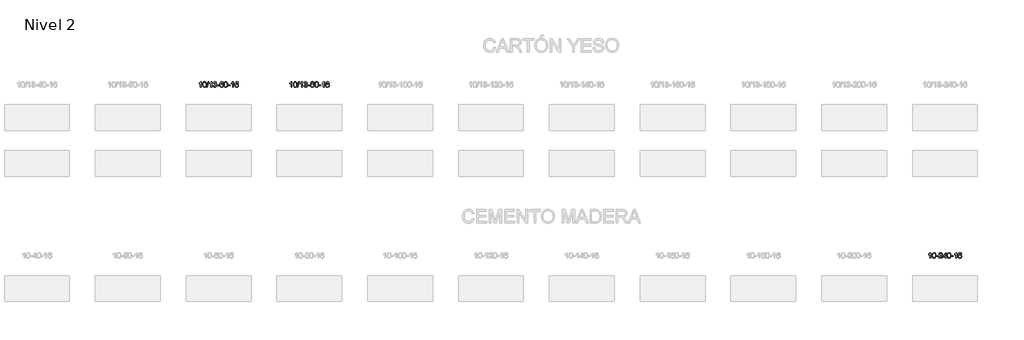
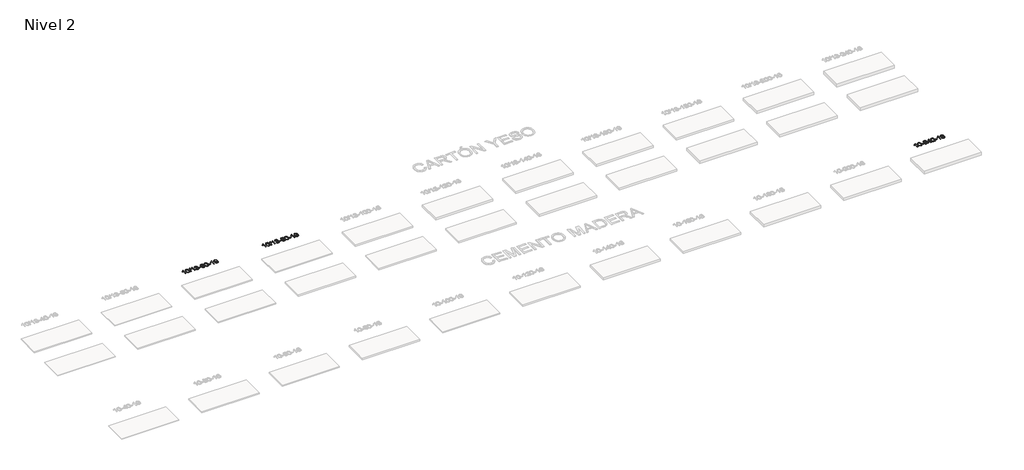
# One storey, part 22 of 51: 3 proxies.
"""IFC4 building model written with IfcOpenShell, lengths in millimetres."""

from ifc_helpers import new_model, si_unit, frame, origin, place, context, project, spatial, polyline, outline, extrude, element, save

model = new_model("IFC4")

# Units and contexts
model_context = context("Model", 3, world=origin())
ifc_project = project(units=[si_unit("LENGTHUNIT", "METRE", prefix="MILLI")], contexts=[model_context])

# Site, building, storey
site = spatial("IfcSite", under=ifc_project)
building = spatial("IfcBuilding", under=site)
storey = spatial("IfcBuildingStorey", under=building, Name="Nivel 2", Elevation=3000.0)

# Proxies
placement = place(None, origin())
element("IfcBuildingElementProxy", 1, Name="Texto de modelo 1", ObjectType="Texto de modelo 1", at=placement, inside=storey, context=model_context, shape_type="SweptSolid", body=[
    extrude(outline(polyline([(4438.4865277, -117522.2088613), (4388.2583726, -117522.2088613), (4388.2583726, -117209.067707), (4367.2890989, -117226.027067), (4340.6789679, -117242.9619015), (4287.8020625, -117268.3212337), (4287.8020625, -117220.8399309), (4327.2512751, -117199.3801478), (4361.4275124, -117173.8491374), (4388.3687372, -117146.6994461), (4406.1129121, -117120.3836207), (4438.4865277, -117120.3836207), (4438.4865277, -117522.2088613)])), frame((0.0, 0.0, 3000.0), z_axis=(0.0, 0.0, 1.0), x_axis=(1.0, 0.0, 0.0)), (0.0, 0.0, 1.0), 10.0),
    extrude(outline(polyline([(4557.778396, -117324.5336026), (4561.4694787, -117260.2155671), (4572.5427267, -117208.9205542), (4590.8877756, -117169.8637491), (4602.7458385, -117154.6303688), (4616.3942606, -117142.2603367), (4631.8790269, -117132.6892735), (4649.2461227, -117125.8527997), (4689.6273031, -117120.3836207), (4720.5784416, -117123.6209823), (4748.2922186, -117133.333067), (4771.4687843, -117149.13973), (4788.808289, -117170.6608267), (4801.904888, -117197.7124161), (4812.3527367, -117230.1105572), (4819.1953418, -117271.252027), (4821.4762101, -117324.5336026), (4817.8219157, -117388.4837561), (4806.8590322, -117439.6561416), (4788.624348, -117478.749735), (4776.7938761, -117494.0291005), (4763.1546512, -117506.4635119), (4747.6514908, -117516.0989545), (4730.2292126, -117522.9814135), (4689.6273031, -117528.4873807), (4661.962577, -117526.0961478), (4637.4371107, -117518.9224488), (4616.050904, -117506.966284), (4597.8039571, -117490.2276532), (4580.2927741, -117459.9693591), (4567.7847863, -117422.267586), (4560.2799936, -117377.1223338), (4557.778396, -117324.5336026)]), holes=[polyline([(4608.0065511, -117324.4355007), (4609.4780791, -117368.1000279), (4613.892663, -117403.4442906), (4621.2503029, -117430.4682888), (4631.5509988, -117449.1720226), (4644.0099357, -117461.8976739), (4657.8422987, -117470.9874249), (4673.0480878, -117476.4412755), (4689.6273031, -117478.2592256), (4706.2065183, -117476.4351441), (4721.4123075, -117470.9628994), (4735.2446705, -117461.8424916), (4747.7036074, -117449.0739207), (4758.0043032, -117430.3395301), (4765.3619431, -117403.3216632), (4769.7765271, -117368.0203201), (4771.2480551, -117324.4355007), (4769.825578, -117281.9267362), (4765.5581469, -117247.2048072), (4758.4457616, -117220.2697138), (4748.4884223, -117201.1214559), (4736.2379519, -117187.7734709), (4722.2461733, -117178.2391958), (4706.5130866, -117172.5186308), (4689.0386919, -117170.6117758), (4672.5453158, -117172.2917703), (4657.597044, -117177.3317536), (4644.1938767, -117185.7317258), (4632.3358137, -117197.4916869), (4621.6917613, -117218.3383333), (4614.0888667, -117246.4445178), (4609.52713, -117281.8102402), (4608.0065511, -117324.4355007)])]), frame((0.0, 0.0, 3000.0), z_axis=(0.0, 0.0, 1.0), x_axis=(1.0, 0.0, 0.0)), (0.0, 0.0, 1.0), 10.0),
    extrude(outline(polyline([(4840.3117683, -117522.2088613), (4953.3251172, -117120.3836207), (4998.648179, -117120.3836207), (4885.6348301, -117522.2088613), (4840.3117683, -117522.2088613)])), frame((0.0, 0.0, 3000.0), z_axis=(0.0, 0.0, 1.0), x_axis=(1.0, 0.0, 0.0)), (0.0, 0.0, 1.0), 10.0),
    extrude(outline(polyline([(5210.744412, -117522.2088613), (5160.5162569, -117522.2088613), (5160.5162569, -117209.067707), (5139.5469832, -117226.027067), (5112.9368522, -117242.9619015), (5060.0599467, -117268.3212337), (5060.0599467, -117220.8399309), (5099.5091594, -117199.3801478), (5133.6853967, -117173.8491374), (5160.6266215, -117146.6994461), (5178.3707964, -117120.3836207), (5210.744412, -117120.3836207), (5210.744412, -117522.2088613)])), frame((0.0, 0.0, 3000.0), z_axis=(0.0, 0.0, 1.0), x_axis=(1.0, 0.0, 0.0)), (0.0, 0.0, 1.0), 10.0),
    extrude(outline(polyline([(5330.0362803, -117415.4740318), (5380.2644353, -117409.1955124), (5391.5093617, -117440.7597876), (5407.9782123, -117462.0724179), (5430.4803277, -117474.2125237), (5459.8250482, -117478.2592256), (5494.2588029, -117472.6919448), (5508.5326243, -117465.7328437), (5520.8444084, -117455.9901022), (5537.8405566, -117431.0722284), (5543.5059393, -117400.8568539), (5537.8896075, -117372.174321), (5521.0406122, -117348.9119161), (5495.5341272, -117333.4976605), (5463.9453265, -117328.3595753), (5428.7267568, -117333.8532798), (5434.3185632, -117283.6251247), (5442.3629161, -117284.2137359), (5472.4556633, -117280.6084924), (5499.3600999, -117269.7927617), (5510.433348, -117261.6135187), (5518.3428109, -117251.4967638), (5523.0884886, -117239.4424971), (5524.6703812, -117225.4507186), (5520.084119, -117203.7579436), (5506.3253324, -117186.1609215), (5485.3315332, -117174.4990622), (5459.0402332, -117170.6117758), (5432.6998824, -117174.5358504), (5411.1665229, -117186.3080743), (5395.445699, -117205.9284474), (5386.5429547, -117233.3969697), (5336.3147997, -117227.1184503), (5342.2683566, -117203.1386756), (5351.1036559, -117182.0161177), (5362.8206974, -117163.7507766), (5377.4194812, -117148.3426524), (5394.4401549, -117136.110576), (5413.4228658, -117127.3733786), (5434.3676141, -117122.1310602), (5457.2743997, -117120.3836207), (5488.8509376, -117123.8294488), (5517.8523015, -117134.1669328), (5542.3041915, -117150.4763679), (5560.2323074, -117171.8380491), (5571.231979, -117196.4493546), (5574.8985363, -117222.5076626), (5571.41592, -117246.7878743), (5560.9680714, -117268.8117431), (5543.7021431, -117287.5737248), (5519.7652879, -117302.0682754), (5551.2069358, -117314.772467), (5574.5061288, -117336.4039283), (5588.927103, -117365.785437), (5593.7340944, -117401.7397707), (5591.3305987, -117427.2217302), (5584.1201116, -117450.6926015), (5572.1026331, -117472.1523845), (5555.2781632, -117491.6010793), (5534.7810047, -117507.7388362), (5511.7454604, -117519.2658054), (5486.1715304, -117526.1819869), (5458.0592146, -117528.4873807), (5432.6508315, -117526.519212), (5409.4987912, -117520.614706), (5388.6030939, -117510.7738627), (5369.9637395, -117496.9966819), (5354.3348861, -117480.0925043), (5342.4706917, -117460.87067), (5334.3711564, -117439.3311792), (5330.0362803, -117415.4740318)])), frame((0.0, 0.0, 3000.0), z_axis=(0.0, 0.0, 1.0), x_axis=(1.0, 0.0, 0.0)), (0.0, 0.0, 1.0), 10.0),
    extrude(outline(polyline([(5625.1266913, -117402.916993), (5625.1266913, -117352.688838), (5782.0896759, -117352.688838), (5782.0896759, -117402.916993), (5625.1266913, -117402.916993)])), frame((0.0, 0.0, 3000.0), z_axis=(0.0, 0.0, 1.0), x_axis=(1.0, 0.0, 0.0)), (0.0, 0.0, 1.0), 10.0),
    extrude(outline(polyline([(6083.4586064, -117227.1184503), (6033.2304513, -117233.3969697), (6025.1370474, -117208.5036213), (6014.1986894, -117191.5074731), (5991.4145312, -117175.8357001), (5963.8724325, -117170.6117758), (5940.5241885, -117173.6529336), (5918.5493707, -117182.7764071), (5899.6770243, -117201.99211), (5884.2627687, -117228.4428255), (5873.8517083, -117265.8564244), (5869.9889473, -117317.9607776), (5890.1366179, -117294.4531181), (5914.2819395, -117277.8861656), (5941.0760115, -117268.0637163), (5969.1699332, -117264.7895666), (5993.3029921, -117267.0275154), (6015.5721155, -117273.7413618), (6035.9773035, -117284.9311058), (6054.5185561, -117300.5967474), (6069.9266803, -117319.806319), (6080.9324834, -117341.6278526), (6087.5359652, -117366.0613485), (6089.7371258, -117393.1068065), (6085.592322, -117429.0734029), (6073.1579105, -117462.4157744), (6053.4639611, -117490.6936371), (6027.5405431, -117511.4667071), (5996.5648791, -117524.2322123), (5961.7141915, -117528.4873807), (5931.7716627, -117525.6669521), (5904.7292704, -117517.2056662), (5880.5870145, -117503.1035231), (5859.3448949, -117483.3605226), (5842.02685, -117457.1427991), (5829.6568179, -117423.6164866), (5822.2347987, -117382.7815852), (5819.7607923, -117334.6380947), (5822.5076445, -117280.6636747), (5830.7482012, -117234.5987175), (5844.4824623, -117196.4432232), (5863.7104279, -117166.1971919), (5884.550943, -117146.1537545), (5908.7146587, -117131.8370135), (5936.2015751, -117123.2469689), (5967.0116922, -117120.3836207), (5990.1453383, -117122.1555857), (6011.0839552, -117127.4714805), (6029.8275429, -117136.3313052), (6046.3761013, -117148.7350598), (6060.2820407, -117164.2658114), (6071.0977714, -117182.506627), (6078.8232933, -117203.4575066), (6083.4586064, -117227.1184503)]), holes=[polyline([(5869.9889473, -117392.3219916), (5872.8952151, -117414.5788523), (5881.6140184, -117435.8301689), (5895.1520758, -117454.1016413), (5912.516106, -117467.4189695), (5933.473117, -117475.5491616), (5957.7901168, -117478.2592256), (5990.9362846, -117472.6428939), (6004.8514211, -117465.6224791), (6016.9945926, -117455.7938985), (6026.844633, -117443.5556908), (6033.8803762, -117429.3063948), (6039.5089707, -117394.7745382), (6033.9539526, -117361.6283704), (6027.0101799, -117348.0075396), (6017.2888982, -117336.3548774), (6005.1089385, -117327.0198717), (5990.7891318, -117320.3520106), (5955.7299777, -117315.0177217), (5922.6328608, -117320.3520106), (5894.9558721, -117336.3548774), (5884.0328425, -117347.8542554), (5876.2306785, -117361.0152338), (5871.5493801, -117375.8378125), (5869.9889473, -117392.3219916)])]), frame((0.0, 0.0, 3000.0), z_axis=(0.0, 0.0, 1.0), x_axis=(1.0, 0.0, 0.0)), (0.0, 0.0, 1.0), 10.0),
    extrude(outline(polyline([(6133.6867615, -117324.5336026), (6137.3778442, -117260.2155671), (6148.4510922, -117208.9205542), (6166.796141, -117169.8637491), (6178.654204, -117154.6303688), (6192.302626, -117142.2603367), (6207.7873923, -117132.6892735), (6225.1544882, -117125.8527997), (6265.5356685, -117120.3836207), (6296.4868071, -117123.6209823), (6324.200584, -117133.333067), (6347.3771497, -117149.13973), (6364.7166544, -117170.6608267), (6377.8132535, -117197.7124161), (6388.2611021, -117230.1105572), (6395.1037072, -117271.252027), (6397.3845756, -117324.5336026), (6393.7302811, -117388.4837561), (6382.7673977, -117439.6561416), (6364.5327134, -117478.749735), (6352.7022416, -117494.0291005), (6339.0630166, -117506.4635119), (6323.5598562, -117516.0989545), (6306.1375781, -117522.9814135), (6265.5356685, -117528.4873807), (6237.8709425, -117526.0961478), (6213.3454762, -117518.9224488), (6191.9592695, -117506.966284), (6173.7123225, -117490.2276532), (6156.2011396, -117459.9693591), (6143.6931517, -117422.267586), (6136.188359, -117377.1223338), (6133.6867615, -117324.5336026)]), holes=[polyline([(6183.9149165, -117324.4355007), (6185.3864445, -117368.1000279), (6189.8010285, -117403.4442906), (6197.1586684, -117430.4682888), (6207.4593642, -117449.1720226), (6219.9183011, -117461.8976739), (6233.7506642, -117470.9874249), (6248.9564533, -117476.4412755), (6265.5356685, -117478.2592256), (6282.1148838, -117476.4351441), (6297.3206729, -117470.9628994), (6311.1530359, -117461.8424916), (6323.6119728, -117449.0739207), (6333.9126687, -117430.3395301), (6341.2703086, -117403.3216632), (6345.6848926, -117368.0203201), (6347.1564205, -117324.4355007), (6345.7339435, -117281.9267362), (6341.4665123, -117247.2048072), (6334.3541271, -117220.2697138), (6324.3967878, -117201.1214559), (6312.1463173, -117187.7734709), (6298.1545388, -117178.2391958), (6282.4214521, -117172.5186308), (6264.9470573, -117170.6117758), (6248.4536812, -117172.2917703), (6233.5054095, -117177.3317536), (6220.1022421, -117185.7317258), (6208.2441792, -117197.4916869), (6197.6001268, -117218.3383333), (6189.9972322, -117246.4445178), (6185.4354955, -117281.8102402), (6183.9149165, -117324.4355007)])]), frame((0.0, 0.0, 3000.0), z_axis=(0.0, 0.0, 1.0), x_axis=(1.0, 0.0, 0.0)), (0.0, 0.0, 1.0), 10.0),
    extrude(outline(polyline([(6428.7771725, -117402.916993), (6428.7771725, -117352.688838), (6585.7401571, -117352.688838), (6585.7401571, -117402.916993), (6428.7771725, -117402.916993)])), frame((0.0, 0.0, 3000.0), z_axis=(0.0, 0.0, 1.0), x_axis=(1.0, 0.0, 0.0)), (0.0, 0.0, 1.0), 10.0),
    extrude(outline(polyline([(6818.0453744, -117522.2088613), (6767.8172193, -117522.2088613), (6767.8172193, -117209.067707), (6746.8479456, -117226.027067), (6720.2378146, -117242.9619015), (6667.3609091, -117268.3212337), (6667.3609091, -117220.8399309), (6706.8101218, -117199.3801478), (6740.9863591, -117173.8491374), (6767.9275839, -117146.6994461), (6785.6717588, -117120.3836207), (6818.0453744, -117120.3836207), (6818.0453744, -117522.2088613)])), frame((0.0, 0.0, 3000.0), z_axis=(0.0, 0.0, 1.0), x_axis=(1.0, 0.0, 0.0)), (0.0, 0.0, 1.0), 10.0),
    extrude(outline(polyline([(7194.7565374, -117227.1184503), (7144.5283823, -117233.3969697), (7136.4349785, -117208.5036213), (7125.4966205, -117191.5074731), (7102.7124622, -117175.8357001), (7075.1703635, -117170.6117758), (7051.8221196, -117173.6529336), (7029.8473017, -117182.7764071), (7010.9749554, -117201.99211), (6995.5606998, -117228.4428255), (6985.1496393, -117265.8564244), (6981.2868784, -117317.9607776), (7001.434549, -117294.4531181), (7025.5798706, -117277.8861656), (7052.3739426, -117268.0637163), (7080.4678643, -117264.7895666), (7104.6009231, -117267.0275154), (7126.8700466, -117273.7413618), (7147.2752346, -117284.9311058), (7165.8164871, -117300.5967474), (7181.2246114, -117319.806319), (7192.2304144, -117341.6278526), (7198.8338962, -117366.0613485), (7201.0350568, -117393.1068065), (7196.890253, -117429.0734029), (7184.4558416, -117462.4157744), (7164.7618921, -117490.6936371), (7138.8384742, -117511.4667071), (7107.8628102, -117524.2322123), (7073.0121225, -117528.4873807), (7043.0695938, -117525.6669521), (7016.0272014, -117517.2056662), (6991.8849455, -117503.1035231), (6970.642826, -117483.3605226), (6953.324781, -117457.1427991), (6940.954749, -117423.6164866), (6933.5327297, -117382.7815852), (6931.0587233, -117334.6380947), (6933.8055755, -117280.6636747), (6942.0461322, -117234.5987175), (6955.7803934, -117196.4432232), (6975.008359, -117166.1971919), (6995.848874, -117146.1537545), (7020.0125897, -117131.8370135), (7047.4995061, -117123.2469689), (7078.3096232, -117120.3836207), (7101.4432693, -117122.1555857), (7122.3818862, -117127.4714805), (7141.1254739, -117136.3313052), (7157.6740323, -117148.7350598), (7171.5799717, -117164.2658114), (7182.3957024, -117182.506627), (7190.1212243, -117203.4575066), (7194.7565374, -117227.1184503)]), holes=[polyline([(6981.2868784, -117392.3219916), (6984.1931461, -117414.5788523), (6992.9119494, -117435.8301689), (7006.4500068, -117454.1016413), (7023.814037, -117467.4189695), (7044.771048, -117475.5491616), (7069.0880479, -117478.2592256), (7102.2342156, -117472.6428939), (7116.1493521, -117465.6224791), (7128.2925236, -117455.7938985), (7138.142564, -117443.5556908), (7145.1783072, -117429.3063948), (7150.8069017, -117394.7745382), (7145.2518836, -117361.6283704), (7138.3081109, -117348.0075396), (7128.5868292, -117336.3548774), (7116.4068695, -117327.0198717), (7102.0870628, -117320.3520106), (7067.0279087, -117315.0177217), (7033.9307919, -117320.3520106), (7006.2538031, -117336.3548774), (6995.3307735, -117347.8542554), (6987.5286095, -117361.0152338), (6982.8473112, -117375.8378125), (6981.2868784, -117392.3219916)])]), frame((0.0, 0.0, 3000.0), z_axis=(0.0, 0.0, 1.0), x_axis=(1.0, 0.0, 0.0)), (0.0, 0.0, 1.0), 10.0),
])
element("IfcBuildingElementProxy", 2, Name="Texto de modelo 1", ObjectType="Texto de modelo 1", at=placement, inside=storey, context=model_context, shape_type="SweptSolid", body=[
    extrude(outline(polyline([(11153.4270625, -117522.2088613), (11103.1989074, -117522.2088613), (11103.1989074, -117209.067707), (11082.2296337, -117226.027067), (11055.6195027, -117242.9619015), (11002.7425973, -117268.3212337), (11002.7425973, -117220.8399309), (11042.1918099, -117199.3801478), (11076.3680473, -117173.8491374), (11103.309272, -117146.6994461), (11121.0534469, -117120.3836207), (11153.4270625, -117120.3836207), (11153.4270625, -117522.2088613)])), frame((0.0, 0.0, 3000.0), z_axis=(0.0, 0.0, 1.0), x_axis=(1.0, 0.0, 0.0)), (0.0, 0.0, 1.0), 10.0),
    extrude(outline(polyline([(11272.7189308, -117324.5336026), (11276.4100135, -117260.2155671), (11287.4832616, -117208.9205542), (11305.8283104, -117169.8637491), (11317.6863734, -117154.6303688), (11331.3347954, -117142.2603367), (11346.8195617, -117132.6892735), (11364.1866576, -117125.8527997), (11404.5678379, -117120.3836207), (11435.5189764, -117123.6209823), (11463.2327534, -117133.333067), (11486.4093191, -117149.13973), (11503.7488238, -117170.6608267), (11516.8454228, -117197.7124161), (11527.2932715, -117230.1105572), (11534.1358766, -117271.252027), (11536.416745, -117324.5336026), (11532.7624505, -117388.4837561), (11521.799567, -117439.6561416), (11503.5648828, -117478.749735), (11491.734411, -117494.0291005), (11478.095186, -117506.4635119), (11462.5920256, -117516.0989545), (11445.1697474, -117522.9814135), (11404.5678379, -117528.4873807), (11376.9031119, -117526.0961478), (11352.3776455, -117518.9224488), (11330.9914389, -117506.966284), (11312.7444919, -117490.2276532), (11295.2333089, -117459.9693591), (11282.7253211, -117422.267586), (11275.2205284, -117377.1223338), (11272.7189308, -117324.5336026)]), holes=[polyline([(11322.9470859, -117324.4355007), (11324.4186139, -117368.1000279), (11328.8331978, -117403.4442906), (11336.1908377, -117430.4682888), (11346.4915336, -117449.1720226), (11358.9504705, -117461.8976739), (11372.7828335, -117470.9874249), (11387.9886226, -117476.4412755), (11404.5678379, -117478.2592256), (11421.1470531, -117476.4351441), (11436.3528423, -117470.9628994), (11450.1852053, -117461.8424916), (11462.6441422, -117449.0739207), (11472.9448381, -117430.3395301), (11480.302478, -117403.3216632), (11484.7170619, -117368.0203201), (11486.1885899, -117324.4355007), (11484.7661128, -117281.9267362), (11480.4986817, -117247.2048072), (11473.3862965, -117220.2697138), (11463.4289571, -117201.1214559), (11451.1784867, -117187.7734709), (11437.1867081, -117178.2391958), (11421.4536215, -117172.5186308), (11403.9792267, -117170.6117758), (11387.4858506, -117172.2917703), (11372.5375788, -117177.3317536), (11359.1344115, -117185.7317258), (11347.2763485, -117197.4916869), (11336.6322961, -117218.3383333), (11329.0294015, -117246.4445178), (11324.4676648, -117281.8102402), (11322.9470859, -117324.4355007)])]), frame((0.0, 0.0, 3000.0), z_axis=(0.0, 0.0, 1.0), x_axis=(1.0, 0.0, 0.0)), (0.0, 0.0, 1.0), 10.0),
    extrude(outline(polyline([(11555.2523031, -117522.2088613), (11668.265652, -117120.3836207), (11713.5887138, -117120.3836207), (11600.5753649, -117522.2088613), (11555.2523031, -117522.2088613)])), frame((0.0, 0.0, 3000.0), z_axis=(0.0, 0.0, 1.0), x_axis=(1.0, 0.0, 0.0)), (0.0, 0.0, 1.0), 10.0),
    extrude(outline(polyline([(11925.6849468, -117522.2088613), (11875.4567917, -117522.2088613), (11875.4567917, -117209.067707), (11854.487518, -117226.027067), (11827.877387, -117242.9619015), (11775.0004816, -117268.3212337), (11775.0004816, -117220.8399309), (11814.4496942, -117199.3801478), (11848.6259315, -117173.8491374), (11875.5671563, -117146.6994461), (11893.3113312, -117120.3836207), (11925.6849468, -117120.3836207), (11925.6849468, -117522.2088613)])), frame((0.0, 0.0, 3000.0), z_axis=(0.0, 0.0, 1.0), x_axis=(1.0, 0.0, 0.0)), (0.0, 0.0, 1.0), 10.0),
    extrude(outline(polyline([(12044.9768151, -117415.4740318), (12095.2049702, -117409.1955124), (12106.4498965, -117440.7597876), (12122.9187471, -117462.0724179), (12145.4208625, -117474.2125237), (12174.765583, -117478.2592256), (12209.1993377, -117472.6919448), (12223.4731592, -117465.7328437), (12235.7849433, -117455.9901022), (12252.7810914, -117431.0722284), (12258.4464742, -117400.8568539), (12252.8301424, -117372.174321), (12235.981147, -117348.9119161), (12210.474662, -117333.4976605), (12178.8858613, -117328.3595753), (12143.6672917, -117333.8532798), (12149.259098, -117283.6251247), (12157.303451, -117284.2137359), (12187.3961982, -117280.6084924), (12214.3006347, -117269.7927617), (12225.3738828, -117261.6135187), (12233.2833457, -117251.4967638), (12238.0290234, -117239.4424971), (12239.610916, -117225.4507186), (12235.0246538, -117203.7579436), (12221.2658672, -117186.1609215), (12200.272068, -117174.4990622), (12173.9807681, -117170.6117758), (12147.6404172, -117174.5358504), (12126.1070578, -117186.3080743), (12110.3862338, -117205.9284474), (12101.4834896, -117233.3969697), (12051.2553345, -117227.1184503), (12057.2088914, -117203.1386756), (12066.0441907, -117182.0161177), (12077.7612322, -117163.7507766), (12092.3600161, -117148.3426524), (12109.3806897, -117136.110576), (12128.3634007, -117127.3733786), (12149.3081489, -117122.1310602), (12172.2149345, -117120.3836207), (12203.7914724, -117123.8294488), (12232.7928364, -117134.1669328), (12257.2447263, -117150.4763679), (12275.1728422, -117171.8380491), (12286.1725139, -117196.4493546), (12289.8390711, -117222.5076626), (12286.3564549, -117246.7878743), (12275.9086062, -117268.8117431), (12258.6426779, -117287.5737248), (12234.7058227, -117302.0682754), (12266.1474706, -117314.772467), (12289.4466636, -117336.4039283), (12303.8676378, -117365.785437), (12308.6746292, -117401.7397707), (12306.2711335, -117427.2217302), (12299.0606464, -117450.6926015), (12287.0431679, -117472.1523845), (12270.218698, -117491.6010793), (12249.7215395, -117507.7388362), (12226.6859952, -117519.2658054), (12201.1120652, -117526.1819869), (12172.9997494, -117528.4873807), (12147.5913663, -117526.519212), (12124.4393261, -117520.614706), (12103.5436287, -117510.7738627), (12084.9042743, -117496.9966819), (12069.2754209, -117480.0925043), (12057.4112265, -117460.87067), (12049.3116913, -117439.3311792), (12044.9768151, -117415.4740318)])), frame((0.0, 0.0, 3000.0), z_axis=(0.0, 0.0, 1.0), x_axis=(1.0, 0.0, 0.0)), (0.0, 0.0, 1.0), 10.0),
    extrude(outline(polyline([(12340.0672262, -117402.916993), (12340.0672262, -117352.688838), (12497.0302108, -117352.688838), (12497.0302108, -117402.916993), (12340.0672262, -117402.916993)])), frame((0.0, 0.0, 3000.0), z_axis=(0.0, 0.0, 1.0), x_axis=(1.0, 0.0, 0.0)), (0.0, 0.0, 1.0), 10.0),
    extrude(outline(polyline([(12614.163838, -117300.891053), (12587.2716642, -117287.6473012), (12568.3993178, -117269.6946598), (12557.2524934, -117247.4010109), (12553.5368852, -117221.1342365), (12555.5602362, -117200.6493407), (12561.6302891, -117181.8689649), (12571.747044, -117164.7931089), (12585.9105008, -117149.4217729), (12603.4400779, -117136.7175813), (12623.6551935, -117127.6431588), (12646.5558477, -117122.1985052), (12672.1420405, -117120.3836207), (12697.8508606, -117122.2414248), (12720.923193, -117127.814837), (12741.3590379, -117137.1038574), (12759.1583951, -117150.1084859), (12773.5793693, -117165.7802589), (12783.8800651, -117183.0707127), (12790.0604827, -117201.9798473), (12792.1206218, -117222.5076626), (12788.4540646, -117247.9283085), (12777.454393, -117269.8418126), (12758.9989795, -117287.6840894), (12732.965197, -117300.891053), (12763.8795473, -117316.8203434), (12786.3816627, -117340.278952), (12800.1036611, -117370.1387073), (12804.6776606, -117405.2714378), (12802.409055, -117430.3242017), (12795.6032381, -117453.2923009), (12784.2602099, -117474.1757355), (12768.3799704, -117492.9745055), (12748.7963855, -117508.5113884), (12726.3433211, -117519.6091619), (12701.0207771, -117526.267826), (12672.8287535, -117528.4873807), (12644.63673, -117526.258629), (12619.314186, -117519.5723737), (12596.8611215, -117508.4286149), (12577.2775366, -117492.8273527), (12561.3972972, -117473.8967583), (12550.054269, -117452.7650034), (12543.2484521, -117429.4320878), (12540.9798465, -117403.8980117), (12545.7377869, -117367.4041178), (12560.0116083, -117337.384947), (12583.0655467, -117314.8705689), (12614.163838, -117300.891053)]), holes=[polyline([(12591.2080015, -117402.1321781), (12593.3049289, -117421.347881), (12599.595711, -117439.9504472), (12611.2085193, -117456.1740432), (12629.2715253, -117468.2528354), (12650.9029866, -117475.7576281), (12673.221161, -117478.2592256), (12707.4096611, -117472.9985131), (12721.3033378, -117466.4226225), (12733.0632989, -117457.2163755), (12749.1029539, -117433.3163086), (12754.4495055, -117403.701808), (12748.9312756, -117373.5845353), (12732.3765858, -117349.1571708), (12720.2977936, -117339.7148663), (12706.1343368, -117332.970363), (12671.5534293, -117327.5747604), (12637.8431758, -117332.8967866), (12624.105849, -117339.5493194), (12612.4470554, -117348.8628652), (12596.517765, -117372.8242458), (12591.2080015, -117402.1321781)]), polyline([(12603.7650403, -117222.6057645), (12608.2164124, -117244.5315314), (12621.5705289, -117262.0427143), (12643.4349821, -117273.5206326), (12673.4173647, -117277.3466053), (12702.7007715, -117273.5451581), (12724.234131, -117262.1408162), (12737.4778828, -117245.2182444), (12741.8924668, -117224.8621074), (12737.33073, -117203.7334181), (12723.6455198, -117186.2590233), (12701.8178548, -117174.5235877), (12672.8287535, -117170.6117758), (12643.6557113, -117174.4377486), (12621.8648345, -117185.9156668), (12608.2899888, -117202.7401367), (12603.7650403, -117222.6057645)])]), frame((0.0, 0.0, 3000.0), z_axis=(0.0, 0.0, 1.0), x_axis=(1.0, 0.0, 0.0)), (0.0, 0.0, 1.0), 10.0),
    extrude(outline(polyline([(12848.6272963, -117324.5336026), (12852.318379, -117260.2155671), (12863.391627, -117208.9205542), (12881.7366759, -117169.8637491), (12893.5947388, -117154.6303688), (12907.2431609, -117142.2603367), (12922.7279272, -117132.6892735), (12940.095023, -117125.8527997), (12980.4762034, -117120.3836207), (13011.4273419, -117123.6209823), (13039.1411189, -117133.333067), (13062.3176846, -117149.13973), (13079.6571893, -117170.6608267), (13092.7537883, -117197.7124161), (13103.201637, -117230.1105572), (13110.0442421, -117271.252027), (13112.3251104, -117324.5336026), (13108.6708159, -117388.4837561), (13097.7079325, -117439.6561416), (13079.4732483, -117478.749735), (13067.6427764, -117494.0291005), (13054.0035515, -117506.4635119), (13038.5003911, -117516.0989545), (13021.0781129, -117522.9814135), (12980.4762034, -117528.4873807), (12952.8114773, -117526.0961478), (12928.286011, -117518.9224488), (12906.8998043, -117506.966284), (12888.6528574, -117490.2276532), (12871.1416744, -117459.9693591), (12858.6336866, -117422.267586), (12851.1288939, -117377.1223338), (12848.6272963, -117324.5336026)]), holes=[polyline([(12898.8554514, -117324.4355007), (12900.3269793, -117368.1000279), (12904.7415633, -117403.4442906), (12912.0992032, -117430.4682888), (12922.3998991, -117449.1720226), (12934.858836, -117461.8976739), (12948.691199, -117470.9874249), (12963.8969881, -117476.4412755), (12980.4762034, -117478.2592256), (12997.0554186, -117476.4351441), (13012.2612077, -117470.9628994), (13026.0935708, -117461.8424916), (13038.5525077, -117449.0739207), (13048.8532035, -117430.3395301), (13056.2108434, -117403.3216632), (13060.6254274, -117368.0203201), (13062.0969554, -117324.4355007), (13060.6744783, -117281.9267362), (13056.4070472, -117247.2048072), (13049.2946619, -117220.2697138), (13039.3373226, -117201.1214559), (13027.0868522, -117187.7734709), (13013.0950736, -117178.2391958), (12997.3619869, -117172.5186308), (12979.8875922, -117170.6117758), (12963.3942161, -117172.2917703), (12948.4459443, -117177.3317536), (12935.042777, -117185.7317258), (12923.184714, -117197.4916869), (12912.5406616, -117218.3383333), (12904.937767, -117246.4445178), (12900.3760303, -117281.8102402), (12898.8554514, -117324.4355007)])]), frame((0.0, 0.0, 3000.0), z_axis=(0.0, 0.0, 1.0), x_axis=(1.0, 0.0, 0.0)), (0.0, 0.0, 1.0), 10.0),
    extrude(outline(polyline([(13143.7177074, -117402.916993), (13143.7177074, -117352.688838), (13300.680692, -117352.688838), (13300.680692, -117402.916993), (13143.7177074, -117402.916993)])), frame((0.0, 0.0, 3000.0), z_axis=(0.0, 0.0, 1.0), x_axis=(1.0, 0.0, 0.0)), (0.0, 0.0, 1.0), 10.0),
    extrude(outline(polyline([(13532.9859092, -117522.2088613), (13482.7577541, -117522.2088613), (13482.7577541, -117209.067707), (13461.7884804, -117226.027067), (13435.1783494, -117242.9619015), (13382.301444, -117268.3212337), (13382.301444, -117220.8399309), (13421.7506566, -117199.3801478), (13455.9268939, -117173.8491374), (13482.8681187, -117146.6994461), (13500.6122936, -117120.3836207), (13532.9859092, -117120.3836207), (13532.9859092, -117522.2088613)])), frame((0.0, 0.0, 3000.0), z_axis=(0.0, 0.0, 1.0), x_axis=(1.0, 0.0, 0.0)), (0.0, 0.0, 1.0), 10.0),
    extrude(outline(polyline([(13909.6970722, -117227.1184503), (13859.4689172, -117233.3969697), (13851.3755133, -117208.5036213), (13840.4371553, -117191.5074731), (13817.6529971, -117175.8357001), (13790.1108983, -117170.6117758), (13766.7626544, -117173.6529336), (13744.7878365, -117182.7764071), (13725.9154902, -117201.99211), (13710.5012346, -117228.4428255), (13700.0901741, -117265.8564244), (13696.2274132, -117317.9607776), (13716.3750838, -117294.4531181), (13740.5204054, -117277.8861656), (13767.3144774, -117268.0637163), (13795.4083991, -117264.7895666), (13819.541458, -117267.0275154), (13841.8105814, -117273.7413618), (13862.2157694, -117284.9311058), (13880.757022, -117300.5967474), (13896.1651462, -117319.806319), (13907.1709492, -117341.6278526), (13913.774431, -117366.0613485), (13915.9755916, -117393.1068065), (13911.8307878, -117429.0734029), (13899.3963764, -117462.4157744), (13879.7024269, -117490.6936371), (13853.779009, -117511.4667071), (13822.803345, -117524.2322123), (13787.9526573, -117528.4873807), (13758.0101286, -117525.6669521), (13730.9677363, -117517.2056662), (13706.8254803, -117503.1035231), (13685.5833608, -117483.3605226), (13668.2653159, -117457.1427991), (13655.8952838, -117423.6164866), (13648.4732645, -117382.7815852), (13645.9992581, -117334.6380947), (13648.7461103, -117280.6636747), (13656.986667, -117234.5987175), (13670.7209282, -117196.4432232), (13689.9488938, -117166.1971919), (13710.7894088, -117146.1537545), (13734.9531245, -117131.8370135), (13762.4400409, -117123.2469689), (13793.250158, -117120.3836207), (13816.3838042, -117122.1555857), (13837.3224211, -117127.4714805), (13856.0660087, -117136.3313052), (13872.6145671, -117148.7350598), (13886.5205066, -117164.2658114), (13897.3362372, -117182.506627), (13905.0617591, -117203.4575066), (13909.6970722, -117227.1184503)]), holes=[polyline([(13696.2274132, -117392.3219916), (13699.1336809, -117414.5788523), (13707.8524842, -117435.8301689), (13721.3905416, -117454.1016413), (13738.7545718, -117467.4189695), (13759.7115828, -117475.5491616), (13784.0285827, -117478.2592256), (13817.1747505, -117472.6428939), (13831.0898869, -117465.6224791), (13843.2330585, -117455.7938985), (13853.0830989, -117443.5556908), (13860.118842, -117429.3063948), (13865.7474366, -117394.7745382), (13860.1924184, -117361.6283704), (13853.2486458, -117348.0075396), (13843.527364, -117336.3548774), (13831.3474043, -117327.0198717), (13817.0275977, -117320.3520106), (13781.9684435, -117315.0177217), (13748.8713267, -117320.3520106), (13721.1943379, -117336.3548774), (13710.2713083, -117347.8542554), (13702.4691444, -117361.0152338), (13697.787846, -117375.8378125), (13696.2274132, -117392.3219916)])]), frame((0.0, 0.0, 3000.0), z_axis=(0.0, 0.0, 1.0), x_axis=(1.0, 0.0, 0.0)), (0.0, 0.0, 1.0), 10.0),
])
element("IfcBuildingElementProxy", 3, Name="Texto de modelo 1", ObjectType="Texto de modelo 1", at=placement, inside=storey, context=model_context, shape_type="SweptSolid", body=[
    extrude(outline(polyline([(58390.3160235, -130180.5895642), (58340.0878684, -130180.5895642), (58340.0878684, -129867.4484099), (58319.1185947, -129884.4077699), (58292.5084637, -129901.3426044), (58239.6315583, -129926.7019366), (58239.6315583, -129879.2206338), (58279.0807709, -129857.7608507), (58313.2570083, -129832.2298403), (58340.198233, -129805.080149), (58357.9424079, -129778.7643236), (58390.3160235, -129778.7643236), (58390.3160235, -130180.5895642)])), frame((0.0, 0.0, 3000.0), z_axis=(0.0, 0.0, 1.0), x_axis=(1.0, 0.0, 0.0)), (0.0, 0.0, 1.0), 10.0),
    extrude(outline(polyline([(58509.6078918, -129982.9143055), (58513.2989745, -129918.59627), (58524.3722226, -129867.3012571), (58542.7172714, -129828.244452), (58554.5753344, -129813.0110717), (58568.2237564, -129800.6410396), (58583.7085227, -129791.0699764), (58601.0756185, -129784.2335026), (58641.4567989, -129778.7643236), (58672.4079374, -129782.0016852), (58700.1217144, -129791.7137699), (58723.2982801, -129807.5204329), (58740.6377848, -129829.0415296), (58753.7343838, -129856.093119), (58764.1822325, -129888.4912601), (58771.0248376, -129929.6327299), (58773.305706, -129982.9143055), (58769.6514115, -130046.864459), (58758.688528, -130098.0368445), (58740.4538438, -130137.1304379), (58728.623372, -130152.4098034), (58714.984147, -130164.8442148), (58699.4809866, -130174.4796574), (58682.0587084, -130181.3621164), (58641.4567989, -130186.8680836), (58613.7920728, -130184.4768507), (58589.2666065, -130177.3031517), (58567.8803998, -130165.3469869), (58549.6334529, -130148.6083561), (58532.1222699, -130118.350062), (58519.6142821, -130080.6482889), (58512.1094894, -130035.5030367), (58509.6078918, -129982.9143055)]), holes=[polyline([(58559.8360469, -129982.8162036), (58561.3075749, -130026.4807308), (58565.7221588, -130061.8249935), (58573.0797987, -130088.8489917), (58583.3804946, -130107.5527255), (58595.8394315, -130120.2783768), (58609.6717945, -130129.3681278), (58624.8775836, -130134.8219784), (58641.4567989, -130136.6399285), (58658.0360141, -130134.815847), (58673.2418033, -130129.3436023), (58687.0741663, -130120.2231945), (58699.5331032, -130107.4546236), (58709.8337991, -130088.720233), (58717.191439, -130061.7023661), (58721.6060229, -130026.401023), (58723.0775509, -129982.8162036), (58721.6550738, -129940.3074391), (58717.3876427, -129905.5855101), (58710.2752574, -129878.6504167), (58700.3179181, -129859.5021588), (58688.0674477, -129846.1541738), (58674.0756691, -129836.6198987), (58658.3425825, -129830.8993337), (58640.8681877, -129828.9924787), (58624.3748116, -129830.6724732), (58609.4265398, -129835.7124565), (58596.0233725, -129844.1124287), (58584.1653095, -129855.8723898), (58573.5212571, -129876.7190362), (58565.9183625, -129904.8252207), (58561.3566258, -129940.1909431), (58559.8360469, -129982.8162036)])]), frame((0.0, 0.0, 3000.0), z_axis=(0.0, 0.0, 1.0), x_axis=(1.0, 0.0, 0.0)), (0.0, 0.0, 1.0), 10.0),
    extrude(outline(polyline([(58804.6983029, -130061.2976959), (58804.6983029, -130011.0695409), (58961.6612875, -130011.0695409), (58961.6612875, -130061.2976959), (58804.6983029, -130061.2976959)])), frame((0.0, 0.0, 3000.0), z_axis=(0.0, 0.0, 1.0), x_axis=(1.0, 0.0, 0.0)), (0.0, 0.0, 1.0), 10.0),
    extrude(outline(polyline([(59263.0302179, -130130.3614092), (59263.0302179, -130180.5895642), (58999.3324038, -130180.5895642), (59000.4360498, -130162.906703), (59004.7280064, -130145.9596058), (59017.1133669, -130118.8957536), (59035.2376865, -130092.6412419), (59061.45541, -130065.1604569), (59098.1209822, -130034.4177848), (59152.3222629, -129986.2742944), (59184.8430312, -129950.7368937), (59201.1034154, -129921.8949452), (59206.5235435, -129893.8378117), (59201.4099837, -129868.686946), (59186.0693045, -129847.7789859), (59162.4880687, -129833.6891055), (59132.6528388, -129828.9924787), (59101.3215556, -129833.5787409), (59076.9800302, -129847.3375275), (59061.271469, -129869.1897181), (59055.8390782, -129898.0561919), (59005.6109232, -129891.7776726), (59009.9304709, -129865.8481233), (59017.7878172, -129843.1927237), (59029.182962, -129823.8114739), (59044.1159053, -129807.7043739), (59062.2432906, -129795.0431019), (59083.2217614, -129785.9993362), (59107.0513177, -129780.5730768), (59133.7319594, -129778.7643236), (59160.6517244, -129780.7754119), (59184.6100393, -129786.8086766), (59205.6069042, -129796.8641178), (59223.642319, -129810.9417355), (59238.1276725, -129827.9991973), (59248.4743537, -129846.994171), (59254.6823623, -129867.9266565), (59256.7516985, -129890.7966539), (59254.5198811, -129914.8193482), (59247.8244288, -129938.4251095), (59235.9418404, -129962.4355411), (59218.1486145, -129987.672246), (59189.7849127, -130017.8017814), (59146.1908963, -130056.4907045), (59088.4088976, -130104.8058732), (59065.7473667, -130130.3614092), (59263.0302179, -130130.3614092)])), frame((0.0, 0.0, 3000.0), z_axis=(0.0, 0.0, 1.0), x_axis=(1.0, 0.0, 0.0)), (0.0, 0.0, 1.0), 10.0),
    extrude(outline(polyline([(59476.499877, -130180.5895642), (59476.499877, -130086.4117735), (59294.4228149, -130086.4117735), (59294.4228149, -130036.1836184), (59489.0569158, -129785.042843), (59526.7280321, -129785.042843), (59526.7280321, -130036.1836184), (59576.9561872, -130036.1836184), (59576.9561872, -130086.4117735), (59526.7280321, -130086.4117735), (59526.7280321, -130180.5895642), (59476.499877, -130180.5895642)]), holes=[polyline([(59476.499877, -130036.1836184), (59476.499877, -129880.9864674), (59356.22699, -130036.1836184), (59476.499877, -130036.1836184)])]), frame((0.0, 0.0, 3000.0), z_axis=(0.0, 0.0, 1.0), x_axis=(1.0, 0.0, 0.0)), (0.0, 0.0, 1.0), 10.0),
    extrude(outline(polyline([(59620.9058228, -129982.9143055), (59624.5969055, -129918.59627), (59635.6701536, -129867.3012571), (59654.0152024, -129828.244452), (59665.8732654, -129813.0110717), (59679.5216874, -129800.6410396), (59695.0064537, -129791.0699764), (59712.3735496, -129784.2335026), (59752.7547299, -129778.7643236), (59783.7058684, -129782.0016852), (59811.4196454, -129791.7137699), (59834.5962111, -129807.5204329), (59851.9357158, -129829.0415296), (59865.0323148, -129856.093119), (59875.4801635, -129888.4912601), (59882.3227686, -129929.6327299), (59884.603637, -129982.9143055), (59880.9493425, -130046.864459), (59869.986459, -130098.0368445), (59851.7517748, -130137.1304379), (59839.921303, -130152.4098034), (59826.282078, -130164.8442148), (59810.7789176, -130174.4796574), (59793.3566394, -130181.3621164), (59752.7547299, -130186.8680836), (59725.0900039, -130184.4768507), (59700.5645375, -130177.3031517), (59679.1783309, -130165.3469869), (59660.9313839, -130148.6083561), (59643.4202009, -130118.350062), (59630.9122131, -130080.6482889), (59623.4074204, -130035.5030367), (59620.9058228, -129982.9143055)]), holes=[polyline([(59671.1339779, -129982.8162036), (59672.6055059, -130026.4807308), (59677.0200898, -130061.8249935), (59684.3777297, -130088.8489917), (59694.6784256, -130107.5527255), (59707.1373625, -130120.2783768), (59720.9697255, -130129.3681278), (59736.1755147, -130134.8219784), (59752.7547299, -130136.6399285), (59769.3339452, -130134.815847), (59784.5397343, -130129.3436023), (59798.3720973, -130120.2231945), (59810.8310342, -130107.4546236), (59821.1317301, -130088.720233), (59828.48937, -130061.7023661), (59832.9039539, -130026.401023), (59834.3754819, -129982.8162036), (59832.9530049, -129940.3074391), (59828.6855737, -129905.5855101), (59821.5731885, -129878.6504167), (59811.6158491, -129859.5021588), (59799.3653787, -129846.1541738), (59785.3736002, -129836.6198987), (59769.6405135, -129830.8993337), (59752.1661187, -129828.9924787), (59735.6727426, -129830.6724732), (59720.7244709, -129835.7124565), (59707.3213035, -129844.1124287), (59695.4632405, -129855.8723898), (59684.8191881, -129876.7190362), (59677.2162936, -129904.8252207), (59672.6545568, -129940.1909431), (59671.1339779, -129982.8162036)])]), frame((0.0, 0.0, 3000.0), z_axis=(0.0, 0.0, 1.0), x_axis=(1.0, 0.0, 0.0)), (0.0, 0.0, 1.0), 10.0),
    extrude(outline(polyline([(59915.9962339, -130061.2976959), (59915.9962339, -130011.0695409), (60072.9592185, -130011.0695409), (60072.9592185, -130061.2976959), (59915.9962339, -130061.2976959)])), frame((0.0, 0.0, 3000.0), z_axis=(0.0, 0.0, 1.0), x_axis=(1.0, 0.0, 0.0)), (0.0, 0.0, 1.0), 10.0),
    extrude(outline(polyline([(60305.2644357, -130180.5895642), (60255.0362807, -130180.5895642), (60255.0362807, -129867.4484099), (60234.0670069, -129884.4077699), (60207.456876, -129901.3426044), (60154.5799705, -129926.7019366), (60154.5799705, -129879.2206338), (60194.0291831, -129857.7608507), (60228.2054205, -129832.2298403), (60255.1466453, -129805.080149), (60272.8908202, -129778.7643236), (60305.2644357, -129778.7643236), (60305.2644357, -130180.5895642)])), frame((0.0, 0.0, 3000.0), z_axis=(0.0, 0.0, 1.0), x_axis=(1.0, 0.0, 0.0)), (0.0, 0.0, 1.0), 10.0),
    extrude(outline(polyline([(60681.9755988, -129885.4991532), (60631.7474437, -129891.7776726), (60623.6540398, -129866.8843242), (60612.7156818, -129849.888176), (60589.9315236, -129834.216403), (60562.3894249, -129828.9924787), (60539.0411809, -129832.0336365), (60517.0663631, -129841.15711), (60498.1940167, -129860.3728129), (60482.7797611, -129886.8235284), (60472.3687007, -129924.2371273), (60468.5059397, -129976.3414805), (60488.6536103, -129952.833821), (60512.7989319, -129936.2668685), (60539.5930039, -129926.4444192), (60567.6869256, -129923.1702695), (60591.8199845, -129925.4082183), (60614.089108, -129932.1220647), (60634.494296, -129943.3118087), (60653.0355485, -129958.9774503), (60668.4436727, -129978.1870219), (60679.4494758, -130000.0085555), (60686.0529576, -130024.4420514), (60688.2541182, -130051.4875094), (60684.1093144, -130087.4541058), (60671.6749029, -130120.7964773), (60651.9809535, -130149.07434), (60626.0575355, -130169.84741), (60595.0818715, -130182.6129152), (60560.2311839, -130186.8680836), (60530.2886551, -130184.047655), (60503.2462628, -130175.5863691), (60479.1040069, -130161.484226), (60457.8618873, -130141.7412255), (60440.5438424, -130115.523502), (60428.1738103, -130081.9971895), (60420.7517911, -130041.1622881), (60418.2777847, -129993.0187976), (60421.0246369, -129939.0443776), (60429.2651936, -129892.9794204), (60442.9994547, -129854.8239261), (60462.2274203, -129824.5778948), (60483.0679354, -129804.5344574), (60507.2316511, -129790.2177164), (60534.7185675, -129781.6276718), (60565.5286846, -129778.7643236), (60588.6623307, -129780.5362886), (60609.6009476, -129785.8521834), (60628.3445353, -129794.7120081), (60644.8930937, -129807.1157627), (60658.7990331, -129822.6465143), (60669.6147638, -129840.8873299), (60677.3402857, -129861.8382095), (60681.9755988, -129885.4991532)]), holes=[polyline([(60468.5059397, -130050.7026945), (60471.4122075, -130072.9595552), (60480.1310108, -130094.2108718), (60493.6690682, -130112.4823442), (60511.0330984, -130125.7996724), (60531.9901094, -130133.9298645), (60556.3071092, -130136.6399285), (60589.453277, -130131.0235968), (60603.3684135, -130124.003182), (60615.511585, -130114.1746014), (60625.3616254, -130101.9363937), (60632.3973686, -130087.6870977), (60638.0259631, -130053.1552411), (60632.470945, -130020.0090733), (60625.5271723, -130006.3882425), (60615.8058906, -129994.7355803), (60603.6259309, -129985.4005746), (60589.3061242, -129978.7327135), (60554.2469701, -129973.3984246), (60521.1498532, -129978.7327135), (60493.4728645, -129994.7355803), (60482.5498349, -130006.2349583), (60474.7476709, -130019.3959367), (60470.0663725, -130034.2185154), (60468.5059397, -130050.7026945)])]), frame((0.0, 0.0, 3000.0), z_axis=(0.0, 0.0, 1.0), x_axis=(1.0, 0.0, 0.0)), (0.0, 0.0, 1.0), 10.0),
])

save(model, "model.ifc")
